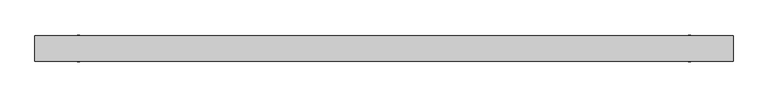
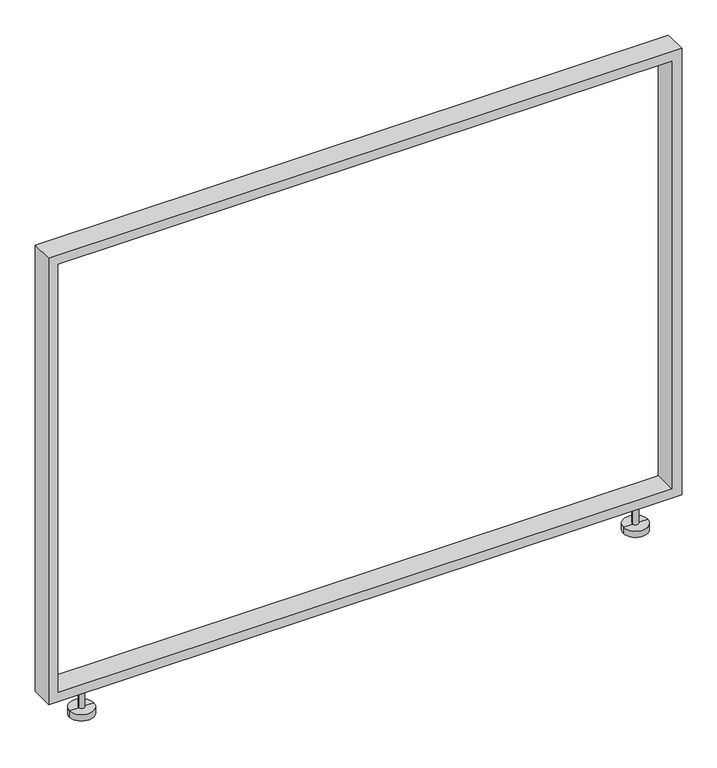
"""IFC4 building model written with IfcOpenShell, lengths in millimetres: furniture geometry."""

import ifcopenshell
import ifcopenshell.guid

model = None  # the IFC model being written
_history = None  # IfcOwnerHistory: only IFC2X3 demands one
_inside = {}  # id of a spatial element -> (the spatial element, [elements in it])
_under = {}  # id of a project, library or spatial element -> (it, [spatial elements below it])
_declared = {}  # id of a project -> (the project, [libraries it declares])
_typed = {}  # id of a type object -> (the type object, [elements of that type])
_made_of = {}  # id of a material, layer set ... -> (it, [elements and type objects made of it])


def new_model(schema):
    """Start an empty IFC model of exactly this schema.

    Asked for "IFC4X3", IfcOpenShell would pick the latest addendum, in which some entities
    have other attributes; the version numbers below select the first issue.
    IFC2X3 requires an IfcOwnerHistory on every rooted entity: one is made here for all.
    """
    global model, _history
    if schema == "IFC4X3":
        model = ifcopenshell.file(schema_version=(4, 3, 0, 0))
    else:
        model = ifcopenshell.file(schema=schema)
    _inside.clear()
    _under.clear()
    _declared.clear()
    _typed.clear()
    _made_of.clear()
    _history = None
    if model.schema == "IFC2X3":
        org = make("IfcOrganization", Name="unknown")
        user = make(
            "IfcPersonAndOrganization",
            ThePerson=make("IfcPerson", FamilyName="unknown"),
            TheOrganization=org,
        )
        app = make(
            "IfcApplication",
            ApplicationDeveloper=org,
            Version="unknown",
            ApplicationFullName="unknown",
            ApplicationIdentifier="unknown",
        )
        _history = make(
            "IfcOwnerHistory",
            OwningUser=user,
            OwningApplication=app,
            ChangeAction="ADDED",
            CreationDate=0,
        )
    return model


def make(cls, **values):
    """One entity of the class cls with the attributes given. An attribute that is None is left unset."""
    return model.create_entity(
        cls, **{name: value for name, value in values.items() if value is not None}
    )


def rooted(cls, **values):
    """An entity with a GlobalId (a new one), such as an element, a storey or a relation."""
    return make(cls, GlobalId=ifcopenshell.guid.new(), OwnerHistory=_history, **values)


def si_unit(unit_type, name, prefix=None):
    """IfcSIUnit, for example si_unit("LENGTHUNIT", "METRE", prefix="MILLI")."""
    return make("IfcSIUnit", UnitType=unit_type, Prefix=prefix, Name=name)


def assignment(units):
    """IfcUnitAssignment: the units of a project."""
    return None if units is None else make("IfcUnitAssignment", Units=units)


def point(xyz):
    """IfcCartesianPoint."""
    return None if xyz is None else make("IfcCartesianPoint", Coordinates=xyz)


def direction(xyz):
    """IfcDirection."""
    return None if xyz is None else make("IfcDirection", DirectionRatios=xyz)


def frame(location, z_axis=None, x_axis=None):
    """IfcAxis2Placement3D, a coordinate frame: its origin and axes. An axis left out is left unset."""
    return make(
        "IfcAxis2Placement3D",
        Location=point(location),
        Axis=direction(z_axis),
        RefDirection=direction(x_axis),
    )


def origin():
    """The frame at (0, 0, 0) with its axes left unset."""
    return frame((0.0, 0.0, 0.0))


def place(relative_to, where):
    """IfcLocalPlacement: puts the frame where relative to a parent placement (None: the world)."""
    return make(
        "IfcLocalPlacement", PlacementRelTo=relative_to, RelativePlacement=where
    )


def context(
    kind, dimensions, precision=None, world=None, true_north=None, identifier=None
):
    """IfcGeometricRepresentationContext, for example the 3D "Model" context."""
    return make(
        "IfcGeometricRepresentationContext",
        ContextIdentifier=identifier,
        ContextType=kind,
        CoordinateSpaceDimension=dimensions,
        Precision=precision,
        WorldCoordinateSystem=world,
        TrueNorth=true_north,
    )


def project(units=None, contexts=None):
    """IfcProject with its units and contexts."""
    return rooted(
        "IfcProject",
        Name="project",
        RepresentationContexts=contexts,
        UnitsInContext=assignment(units),
    )


def spatial(cls, under=None, at=None, **own):
    """A site, building, storey or space (cls), placed at a placement, below another one or the project."""
    s = rooted(cls, ObjectPlacement=at, **own)
    if under is not None:
        _under.setdefault(under.id(), (under, []))[1].append(s)
    return s


def circle_curve(where, radius):
    """IfcCircle in the frame where."""
    return make("IfcCircle", Position=where, Radius=radius)


def faces_of(points, faces, orient=None, outer=None):
    """IfcFace entities. A face is a list of loops; a loop is a list of indices into points, from 0.

    orient and outer hold one flag for each loop. By default every Orientation is true, the
    first loop of a face is its IfcFaceOuterBound and the others are IfcFaceBound.
    """
    made = []
    for i, loops in enumerate(faces):
        bounds = []
        for j, loop in enumerate(loops):
            is_outer = j == 0 if outer is None else outer[i][j]
            bounds.append(
                make(
                    "IfcFaceOuterBound" if is_outer else "IfcFaceBound",
                    Bound=make("IfcPolyLoop", Polygon=[points[k] for k in loop]),
                    Orientation=True if orient is None else orient[i][j],
                )
            )
        made.append(make("IfcFace", Bounds=bounds))
    return made


def faceted_brep(points, faces, orient=None, outer=None, voids=None):
    """IfcFacetedBrep: a solid bounded by flat faces; with voids (closed shells), ...WithVoids."""
    shared = [point(p) for p in points]
    hull = make("IfcClosedShell", CfsFaces=faces_of(shared, faces, orient, outer))
    if voids is None:
        return make("IfcFacetedBrep", Outer=hull)
    return make(
        "IfcFacetedBrepWithVoids",
        Outer=hull,
        Voids=[
            make(cls, CfsFaces=faces_of(shared, fs, o, b)) for cls, fs, o, b in voids
        ],
    )


def shape(context_of_items, identifier, shape_type, items):
    """IfcShapeRepresentation: the items that make up one representation, for example the "Body"."""
    return make(
        "IfcShapeRepresentation",
        ContextOfItems=context_of_items,
        RepresentationIdentifier=identifier,
        RepresentationType=shape_type,
        Items=items,
    )


def source(mapping_origin, context_of_items, identifier, shape_type, items):
    """IfcRepresentationMap: a shape defined once, which mapped items show again and again."""
    return make(
        "IfcRepresentationMap",
        MappingOrigin=mapping_origin,
        MappedRepresentation=shape(context_of_items, identifier, shape_type, items),
    )


def transform(
    local_origin,
    x_axis=None,
    y_axis=None,
    z_axis=None,
    scale=None,
    scale2=None,
    scale3=None,
    uniform=True,
):
    """IfcCartesianTransformationOperator3D, or its non-uniform kind. x_axis, y_axis, z_axis: its Axis1, 2, 3."""
    if uniform:
        return make(
            "IfcCartesianTransformationOperator3D",
            Axis1=direction(x_axis),
            Axis2=direction(y_axis),
            LocalOrigin=point(local_origin),
            Scale=scale,
            Axis3=direction(z_axis),
        )
    return make(
        "IfcCartesianTransformationOperator3DnonUniform",
        Axis1=direction(x_axis),
        Axis2=direction(y_axis),
        LocalOrigin=point(local_origin),
        Scale=scale,
        Axis3=direction(z_axis),
        Scale2=scale2,
        Scale3=scale3,
    )


def mapped(mapping_source, mapping_target):
    """IfcMappedItem: shows the shape of a source again, moved by a transform."""
    return make(
        "IfcMappedItem", MappingSource=mapping_source, MappingTarget=mapping_target
    )


def made_of(thing, what):
    """Note that an element or type object is made of a material, layer set ...; save() writes the relation."""
    if what is not None:
        _made_of.setdefault(what.id(), (what, []))[1].append(thing)
    return thing


def element(
    cls,
    number,
    at=None,
    inside=None,
    cuts=None,
    type_object=None,
    material=None,
    context=None,
    identifier="Body",
    shape_type=None,
    held_by="IfcProductDefinitionShape",
    body=None,
    shapes=None,
    **own,
):
    """One element of the class cls, such as IfcWall. Its Tag is "e" and its number.

    at: its placement. inside: the storey or other place that contains it. cuts: it is an
    opening in that element (IfcRelVoidsElement). A single representation is given by context,
    identifier, shape_type and body (its items); several are given by shapes. held_by: the class
    of the entity that holds the representations. save() writes the other relations.
    """
    e = rooted(cls, Tag="e%d" % number, ObjectPlacement=at, **own)
    if body is not None:
        shapes = [shape(context, identifier, shape_type, body)]
    if shapes is not None:
        e.Representation = make(held_by, Representations=shapes)
    if inside is not None:
        _inside.setdefault(inside.id(), (inside, []))[1].append(e)
    if cuts is not None:
        rooted(
            "IfcRelVoidsElement", RelatingBuildingElement=cuts, RelatedOpeningElement=e
        )
    if type_object is not None:
        _typed.setdefault(type_object.id(), (type_object, []))[1].append(e)
    return made_of(e, material)


def aggregate(whole, parts):
    """IfcRelAggregates: a whole, such as a stair, and the parts it consists of."""
    return rooted("IfcRelAggregates", RelatingObject=whole, RelatedObjects=parts)


def save(model, path):
    """Write the relations noted so far, then the file.

    IfcRelAggregates (storeys below a building ...), IfcRelContainedInSpatialStructure (elements
    in a storey), IfcRelDefinesByType, IfcRelAssociatesMaterial and IfcRelDeclares: one each for
    every whole, place, type object, material and project.
    """
    for whole, parts in _under.values():
        aggregate(whole, parts)
    for where, things in _inside.values():
        rooted(
            "IfcRelContainedInSpatialStructure",
            RelatedElements=things,
            RelatingStructure=where,
        )
    for kind, things in _typed.values():
        rooted("IfcRelDefinesByType", RelatedObjects=things, RelatingType=kind)
    for what, things in _made_of.values():
        rooted("IfcRelAssociatesMaterial", RelatedObjects=things, RelatingMaterial=what)
    for by, libraries in _declared.values():
        rooted("IfcRelDeclares", RelatingContext=by, RelatedDefinitions=libraries)
    model.write(path)


def plane_surface(at):
    """IfcPlane: the flat surface through the origin of the frame at, square to its z axis."""
    return make("IfcPlane", Position=at)


def cylinder_surface(at, radius):
    """IfcCylindricalSurface: all points at the distance radius from the z axis of the frame at."""
    return make("IfcCylindricalSurface", Position=at, Radius=radius)


def advanced_brep(points, edges, surfaces, faces):
    """IfcAdvancedBrep: a solid bounded by faces that lie on surfaces and meet in shared edges.

    An edge is (start, end): straight between two places in points (the first is 0);
    or (start, end, curve); or (start, end, curve, False) where it runs against its curve.
    A face is (place in surfaces, loops), or (place, loops, False) where it looks against
    its surface's normal. A loop lists edges by number (the first is 1), with a minus sign
    where the edge is run from its end to its start. The first loop is the outer one.
    """
    corners = [point(p) for p in points]
    vertices = [make("IfcVertexPoint", VertexGeometry=c) for c in corners]
    made = []
    for start, end, *more in edges:
        made.append(
            make(
                "IfcEdgeCurve",
                EdgeStart=vertices[start],
                EdgeEnd=vertices[end],
                EdgeGeometry=more[0] if more else make("IfcPolyline", Points=[corners[start], corners[end]]),
                SameSense=more[1] if len(more) > 1 else True,
            )
        )
    hull = []
    for where, loops, *sense in faces:
        bounds = []
        for j, loop in enumerate(loops):
            ring = [make("IfcOrientedEdge", EdgeElement=made[abs(k) - 1], Orientation=k > 0) for k in loop]
            bounds.append(
                make(
                    "IfcFaceOuterBound" if j == 0 else "IfcFaceBound",
                    Bound=make("IfcEdgeLoop", EdgeList=ring),
                    Orientation=True,
                )
            )
        hull.append(make("IfcAdvancedFace", Bounds=bounds, FaceSurface=surfaces[where], SameSense=sense[0] if sense else True))
    return make("IfcAdvancedBrep", Outer=make("IfcClosedShell", CfsFaces=hull))


def furniture_97646fae(model_context):
    return source(origin(), model_context, "Body", "SolidModel", [
        advanced_brep(
        [(509.93294, 0.0, 12.7), (556.86706, 0.0, 12.7), (556.86706, 0.0, 0.0), (509.93294, 0.0, 0.0), (527.6596, 0.0, 12.7), (539.1404, 0.0, 12.7), (527.6596, 0.0, 57.15), (539.1404, 0.0, 57.15), (533.4, 0.0, 57.15), (533.4, 0.0, 0.0)],
        [
            (0, 1, circle_curve(frame((533.4, 0.0, 12.7), z_axis=(0.0, 0.0, -1.0), x_axis=(1.0, 0.0, 0.0)), 23.46706)),
            (1, 2),
            (2, 3, circle_curve(frame((533.4, 0.0, 0.0), z_axis=(0.0, 0.0, 1.0), x_axis=(1.0, 0.0, 0.0)), 23.46706)),
            (3, 0),
            (1, 0, circle_curve(frame((533.4, 0.0, 12.7), z_axis=(0.0, 0.0, -1.0), x_axis=(1.0, 0.0, 0.0)), 23.46706)),
            (3, 2, circle_curve(frame((533.4, 0.0, 0.0), z_axis=(0.0, 0.0, 1.0), x_axis=(1.0, 0.0, 0.0)), 23.46706)),
            (4, 5, circle_curve(frame((533.4, 0.0, 12.7), z_axis=(0.0, 0.0, -1.0), x_axis=(1.0, 0.0, 0.0)), 5.7404)),
            (5, 1),
            (0, 4),
            (5, 4, circle_curve(frame((533.4, 0.0, 12.7), z_axis=(0.0, 0.0, -1.0), x_axis=(1.0, 0.0, 0.0)), 5.7404)),
            (6, 7, circle_curve(frame((533.4, 0.0, 57.15), z_axis=(0.0, 0.0, -1.0), x_axis=(1.0, 0.0, 0.0)), 5.7404)),
            (7, 5),
            (4, 6),
            (7, 6, circle_curve(frame((533.4, 0.0, 57.15), z_axis=(0.0, 0.0, -1.0), x_axis=(1.0, 0.0, 0.0)), 5.7404)),
            (8, 7),
            (6, 8),
            (2, 9),
            (9, 3),
        ],
        [
            cylinder_surface(frame((533.4, 0.0, 0.0), z_axis=(0.0, 0.0, 1.0), x_axis=(1.0, 0.0, 0.0)), 23.46706),
            plane_surface(frame((533.4, 0.0, 12.7), z_axis=(0.0, 0.0, 1.0), x_axis=(1.0, 0.0, 0.0))),
            cylinder_surface(frame((533.4, 0.0, 0.0), z_axis=(0.0, 0.0, 1.0), x_axis=(1.0, 0.0, 0.0)), 5.7404),
            plane_surface(frame((533.4, 0.0, 57.15), z_axis=(0.0, 0.0, 1.0), x_axis=(1.0, 0.0, 0.0))),
            plane_surface(frame((533.4, 0.0, 0.0), z_axis=(0.0, 0.0, -1.0), x_axis=(1.0, 0.0, 0.0))),
        ],
        [
            (0, [[1, 2, 3, 4]]),
            (0, [[5, -4, 6, -2]]),
            (1, [[7, 8, -1, 9]]),
            (1, [[10, -9, -5, -8]]),
            (2, [[11, 12, -7, 13]]),
            (2, [[14, -13, -10, -12]]),
            (3, [[15, -11, 16]]),
            (3, [[-16, -14, -15]]),
            (4, [[-3, 17, 18]]),
            (4, [[-6, -18, -17]]),
        ],
    ),
        advanced_brep(
        [(-556.86706, 0.0, 12.7), (-509.93294, 0.0, 12.7), (-509.93294, 0.0, 0.0), (-556.86706, 0.0, 0.0), (-539.1404, 0.0, 12.7), (-527.6596, 0.0, 12.7), (-539.1404, 0.0, 57.15), (-527.6596, 0.0, 57.15), (-533.4, 0.0, 57.15), (-533.4, 0.0, 0.0)],
        [
            (0, 1, circle_curve(frame((-533.4, 0.0, 12.7), z_axis=(0.0, 0.0, -1.0), x_axis=(1.0, 0.0, 0.0)), 23.46706)),
            (1, 2),
            (2, 3, circle_curve(frame((-533.4, 0.0, 0.0), z_axis=(0.0, 0.0, 1.0), x_axis=(1.0, 0.0, 0.0)), 23.46706)),
            (3, 0),
            (1, 0, circle_curve(frame((-533.4, 0.0, 12.7), z_axis=(0.0, 0.0, -1.0), x_axis=(1.0, 0.0, 0.0)), 23.46706)),
            (3, 2, circle_curve(frame((-533.4, 0.0, 0.0), z_axis=(0.0, 0.0, 1.0), x_axis=(1.0, 0.0, 0.0)), 23.46706)),
            (4, 5, circle_curve(frame((-533.4, 0.0, 12.7), z_axis=(0.0, 0.0, -1.0), x_axis=(1.0, 0.0, 0.0)), 5.7404)),
            (5, 1),
            (0, 4),
            (5, 4, circle_curve(frame((-533.4, 0.0, 12.7), z_axis=(0.0, 0.0, -1.0), x_axis=(1.0, 0.0, 0.0)), 5.7404)),
            (6, 7, circle_curve(frame((-533.4, 0.0, 57.15), z_axis=(0.0, 0.0, -1.0), x_axis=(1.0, 0.0, 0.0)), 5.7404)),
            (7, 5),
            (4, 6),
            (7, 6, circle_curve(frame((-533.4, 0.0, 57.15), z_axis=(0.0, 0.0, -1.0), x_axis=(1.0, 0.0, 0.0)), 5.7404)),
            (8, 7),
            (6, 8),
            (2, 9),
            (9, 3),
        ],
        [
            cylinder_surface(frame((-533.4, 0.0, 0.0), z_axis=(0.0, 0.0, 1.0), x_axis=(1.0, 0.0, 0.0)), 23.46706),
            plane_surface(frame((-533.4, 0.0, 12.7), z_axis=(0.0, 0.0, 1.0), x_axis=(1.0, 0.0, 0.0))),
            cylinder_surface(frame((-533.4, 0.0, 0.0), z_axis=(0.0, 0.0, 1.0), x_axis=(1.0, 0.0, 0.0)), 5.7404),
            plane_surface(frame((-533.4, 0.0, 57.15), z_axis=(0.0, 0.0, 1.0), x_axis=(1.0, 0.0, 0.0))),
            plane_surface(frame((-533.4, 0.0, 0.0), z_axis=(0.0, 0.0, -1.0), x_axis=(1.0, 0.0, 0.0))),
        ],
        [
            (0, [[1, 2, 3, 4]]),
            (0, [[5, -4, 6, -2]]),
            (1, [[7, 8, -1, 9]]),
            (1, [[10, -9, -5, -8]]),
            (2, [[11, 12, -7, 13]]),
            (2, [[14, -13, -10, -12]]),
            (3, [[15, -11, 16]]),
            (3, [[-16, -14, -15]]),
            (4, [[-3, 17, 18]]),
            (4, [[-6, -18, -17]]),
        ],
    ),
        faceted_brep([(-609.6, -22.225, 965.1999909), (-609.6, -22.225, 57.15), (609.6, -22.225, 57.15), (609.6, -22.225, 965.1999909), (590.5500091, -22.225, 946.15), (590.5500091, -22.225, 76.2), (-590.5500091, -22.225, 76.2), (-590.5500091, -22.225, 946.15), (-609.6, 22.225, 965.2), (609.6, 22.225, 965.2), (609.6, 22.225, 57.15), (-609.6, 22.225, 57.15), (590.5500091, 22.225, 946.15), (-590.5500091, 22.225, 946.15), (-590.5500091, 22.225, 76.2), (590.5500091, 22.225, 76.2)], [[[0, 1, 2, 3], [4, 5, 6, 7]], [[8, 9, 10, 11], [12, 13, 14, 15]], [[1, 0, 8, 11]], [[2, 1, 11, 10]], [[3, 2, 10, 9]], [[0, 3, 9, 8]], [[5, 4, 12, 15]], [[6, 5, 15, 14]], [[7, 6, 14, 13]], [[4, 7, 13, 12]]]),
    ])


if __name__ == "__main__":
    model = new_model("IFC4")
    model_context = context("Model", 3, world=origin())
    ifc_project = project(units=[si_unit("LENGTHUNIT", "METRE", prefix="MILLI")], contexts=[model_context])
    site = spatial("IfcSite", under=ifc_project)
    building = spatial("IfcBuilding", under=site)
    placement = place(None, origin())
    furniture_shape = furniture_97646fae(model_context)
    element("IfcFurniture", 1, at=placement, inside=building, context=model_context, shape_type="MappedRepresentation", body=[
        mapped(furniture_shape, transform((0.0, 0.0, 0.0), x_axis=(1.0, 0.0, 0.0), y_axis=(0.0, 1.0, 0.0), z_axis=(0.0, 0.0, 1.0))),
    ])
    save(model, "model.ifc")
